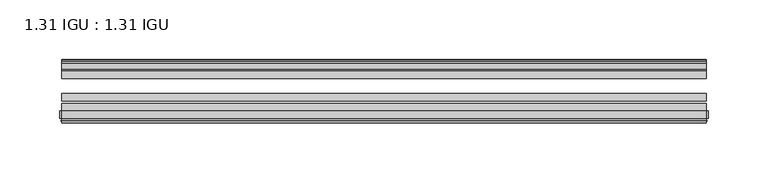
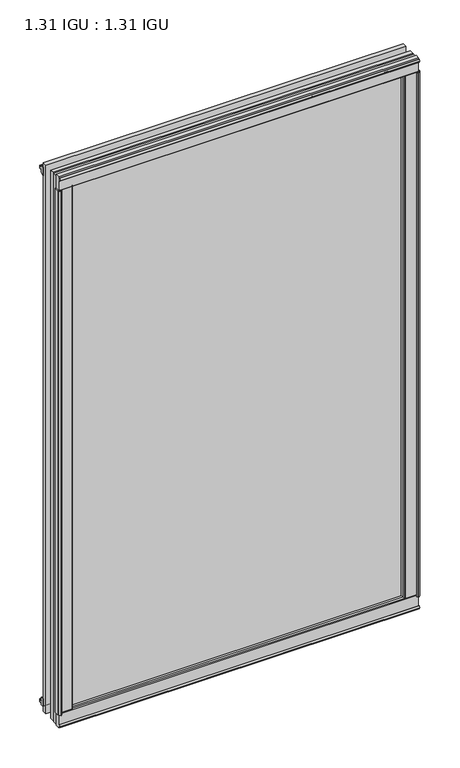
"""IFC4 building model written with IfcOpenShell, lengths in millimetres: plate geometry, 1.31 IGU : 1.31 IGU."""

from ifc_helpers import new_model, si_unit, point, frame, frame_2d, origin, origin_with_axes, place, context, project, spatial, polyline, circle_curve, trimmed, segment, composite_curve, outline, extrude, source, transform, mapped, element, save


def plate_1_31_igu_1_31_igu_e2169676(model_context):
    return source(origin(), model_context, "Body", "SweptSolid", [
        extrude(outline(polyline([(257.1815235, -11.1943457), (255.7794901, -11.5700195), (255.5494, -10.7113114), (257.9624, -10.06475), (260.3754, -10.7113114), (260.1453099, -11.5700195), (258.7432765, -11.1943457), (259.3594, -13.49375), (263.0379741, -13.49375), (263.0379741, -18.1284104), (261.6093294, -19.84375), (249.8966588, -19.84375), (251.6124, -13.49375), (256.5654, -13.49375), (257.1815235, -11.1943457)])), origin_with_axes(), (0.0, 0.0, 1.0), 831.85),
        extrude(outline(polyline([(-257.1815235, -11.1943457), (-256.5654, -13.49375), (-251.6124, -13.49375), (-249.8966588, -19.84375), (-261.6093294, -19.84375), (-263.0379741, -18.1284104), (-263.0379741, -13.49375), (-259.3594, -13.49375), (-258.7432765, -11.1943457), (-260.1453099, -11.5700195), (-260.3754, -10.7113114), (-257.9624, -10.06475), (-255.5494, -10.7113114), (-255.7794901, -11.5700195), (-257.1815235, -11.1943457)])), origin_with_axes(), (0.0, 0.0, 1.0), 831.85),
        extrude(outline(polyline([(-13.49375, -5.7276998), (-11.1943457, -6.3438233), (-11.5700195, -4.9417899), (-10.7113114, -4.7116998), (-10.06475, -7.1246998), (-10.7113114, -9.5376998), (-11.5700195, -9.3076097), (-11.1943457, -7.9055763), (-13.49375, -8.5216998), (-13.49375, -12.2002739), (-18.1284104, -12.2002739), (-19.84375, -10.7716292), (-19.84375, 0.9410414), (-13.49375, -0.7746998), (-13.49375, -5.7276998)])), frame((-269.875, 0.0, 0.0), z_axis=(1.0, 0.0, 0.0), x_axis=(0.0, 1.0, 0.0)), (0.0, 0.0, 1.0), 539.75),
        extrude(outline(composite_curve([segment(polyline([(-55.9719113, 2.457708), (-53.16855, 3.0868452), (-53.16855, -20.9097918), (-59.51855, -20.9097918), (-59.51855, -18.6868471), (-62.0391488, -18.0752025), (-61.5965021, -19.0933159), (-61.5965021, -19.98942), (-63.2729251, -17.4063265), (-61.3290281, -15.2058028), (-61.3290281, -16.0360741), (-61.9417436, -16.9618553), (-59.51855, -16.8077164), (-59.51855, 0.6826418)]), True, "CONTINUOUS"), segment(trimmed(circle_curve(frame_2d((-58.24855, 0.6826418)), 1.27), [point((-59.51855, 0.6826418))], [point((-58.6007815, 1.9028193))], False, "CARTESIAN"), True, "CONTINUOUS"), segment(polyline([(-58.6007815, 1.9028193), (-55.9719113, 2.457708)]), True, "CONTINUOUS")], self_intersect=False)), frame((-269.875, 0.0, 0.0), z_axis=(1.0, 0.0, 0.0), x_axis=(0.0, 1.0, 0.0)), (0.0, 0.0, 1.0), 539.75),
        extrude(outline(polyline([(-13.49375, 837.5776998), (-13.49375, 832.6246998), (-19.84375, 830.9089586), (-19.84375, 842.6216292), (-18.1284104, 844.0502739), (-13.49375, 844.0502739), (-13.49375, 840.3716998), (-11.1943457, 839.7555763), (-11.5700195, 841.1576097), (-10.7113114, 841.3876998), (-10.06475, 838.9746998), (-10.7113114, 836.5616998), (-11.5700195, 836.7917899), (-11.1943457, 838.1938233), (-13.49375, 837.5776998)])), frame((-269.875, 0.0, 0.0), z_axis=(1.0, 0.0, 0.0), x_axis=(0.0, 1.0, 0.0)), (0.0, 0.0, 1.0), 539.75),
        extrude(outline(composite_curve([segment(polyline([(-55.9719113, 829.392292), (-58.6007815, 829.9471807)]), True, "CONTINUOUS"), segment(trimmed(circle_curve(frame_2d((-58.24855, 831.1673582)), 1.27), [point((-58.6007815, 829.9471807))], [point((-59.51855, 831.1673582))], False, "CARTESIAN"), True, "CONTINUOUS"), segment(polyline([(-59.51855, 831.1673582), (-59.51855, 848.6577164), (-61.9417436, 848.8118553), (-61.3290281, 847.8860741), (-61.3290281, 847.0558028), (-63.2729251, 849.2563265), (-61.5965021, 851.83942), (-61.5965021, 850.9433159), (-62.0391488, 849.9252025), (-59.51855, 850.5368471), (-59.51855, 852.7597918), (-53.16855, 852.7597918), (-53.16855, 828.7631548), (-55.9719113, 829.392292)]), True, "CONTINUOUS")], self_intersect=False)), frame((-269.875, 0.0, 0.0), z_axis=(1.0, 0.0, 0.0), x_axis=(0.0, 1.0, 0.0)), (0.0, 0.0, 1.0), 539.75),
        extrude(outline(composite_curve([segment(polyline([(-268.2440267, -63.2729251), (-270.8271202, -61.5965021), (-269.9310161, -61.5965021), (-268.9129027, -62.0391488), (-269.5245473, -59.51855), (-271.747492, -59.51855), (-271.747492, -53.16855), (-247.750855, -53.16855), (-248.3799922, -55.9719113), (-248.9348809, -58.6007815)]), True, "CONTINUOUS"), segment(trimmed(circle_curve(frame_2d((-250.1550584, -58.24855)), 1.27), [point((-248.9348809, -58.6007815))], [point((-250.1550584, -59.51855))], False, "CARTESIAN"), True, "CONTINUOUS"), segment(polyline([(-250.1550584, -59.51855), (-267.6454166, -59.51855), (-267.7995555, -61.9417436), (-266.8737743, -61.3290281), (-266.0622463, -61.3290281), (-268.2440267, -63.2729251)]), True, "CONTINUOUS")], self_intersect=False)), origin_with_axes(), (0.0, 0.0, 1.0), 831.85),
        extrude(outline(composite_curve([segment(polyline([(268.2440267, -63.2729251), (266.0622463, -61.3290281), (266.8737743, -61.3290281), (267.7995555, -61.9417436), (267.6454166, -59.51855), (250.1550584, -59.51855)]), True, "CONTINUOUS"), segment(trimmed(circle_curve(frame_2d((250.1550584, -58.24855)), 1.27), [point((250.1550584, -59.51855))], [point((248.9348809, -58.6007815))], False, "CARTESIAN"), True, "CONTINUOUS"), segment(polyline([(248.9348809, -58.6007815), (248.3799922, -55.9719113), (247.750855, -53.16855), (271.747492, -53.16855), (271.747492, -59.51855), (269.5245473, -59.51855), (268.9129027, -62.0391488), (269.9310161, -61.5965021), (270.8271202, -61.5965021), (268.2440267, -63.2729251)]), True, "CONTINUOUS")], self_intersect=False)), origin_with_axes(), (0.0, 0.0, 1.0), 831.85),
        extrude(outline(polyline([(269.875, -19.84375), (269.875, -26.14295), (-269.875, -26.14295), (-269.875, -19.84375), (269.875, -19.84375)])), frame((0.0, 0.0, -19.05), z_axis=(0.0, 0.0, 1.0), x_axis=(1.0, 0.0, 0.0)), (0.0, 0.0, 1.0), 869.95),
        extrude(outline(polyline([(-269.875, -44.83735), (-269.875, -38.53815), (269.875, -38.53815), (269.875, -44.83735), (-269.875, -44.83735)])), frame((0.0, 0.0, -19.05), z_axis=(0.0, 0.0, 1.0), x_axis=(1.0, 0.0, 0.0)), (0.0, 0.0, 1.0), 869.95),
        extrude(outline(polyline([(-269.875, -53.16855), (-269.875, -46.86935), (269.875, -46.86935), (269.875, -53.16855), (-269.875, -53.16855)])), frame((0.0, 0.0, -19.05), z_axis=(0.0, 0.0, 1.0), x_axis=(1.0, 0.0, 0.0)), (0.0, 0.0, 1.0), 869.95),
    ])


if __name__ == "__main__":
    model = new_model("IFC4")
    model_context = context("Model", 3, world=origin())
    ifc_project = project(units=[si_unit("LENGTHUNIT", "METRE", prefix="MILLI")], contexts=[model_context])
    site = spatial("IfcSite", under=ifc_project)
    building = spatial("IfcBuilding", under=site)
    placement = place(None, origin())
    plate_1_31_igu_1_31_igu_shape = plate_1_31_igu_1_31_igu_e2169676(model_context)
    element("IfcPlate", 1, ObjectType="1.31 IGU : 1.31 IGU", at=placement, inside=building, context=model_context, shape_type="MappedRepresentation", body=[
        mapped(plate_1_31_igu_1_31_igu_shape, transform((0.0, 0.0, 0.0), x_axis=(1.0, 0.0, 0.0), y_axis=(0.0, 1.0, 0.0), z_axis=(0.0, 0.0, 1.0))),
    ])
    save(model, "model.ifc")
